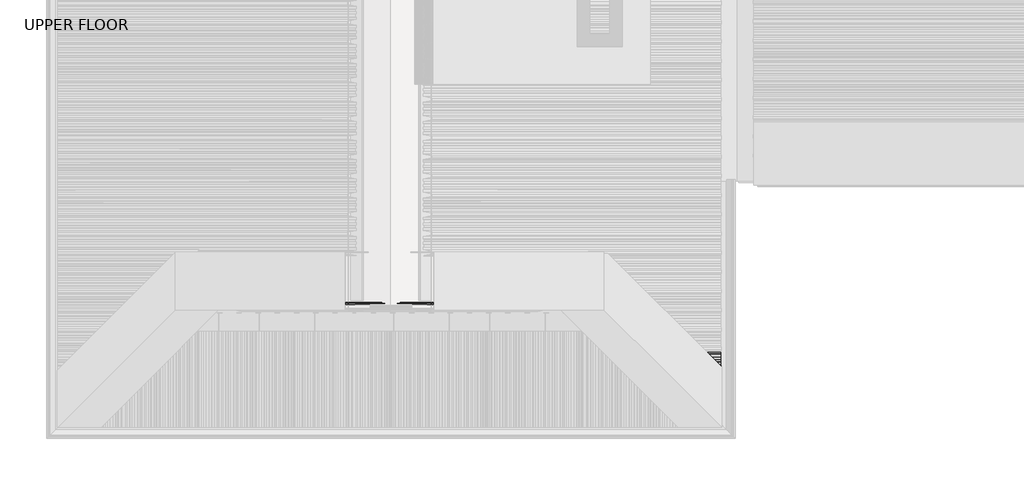
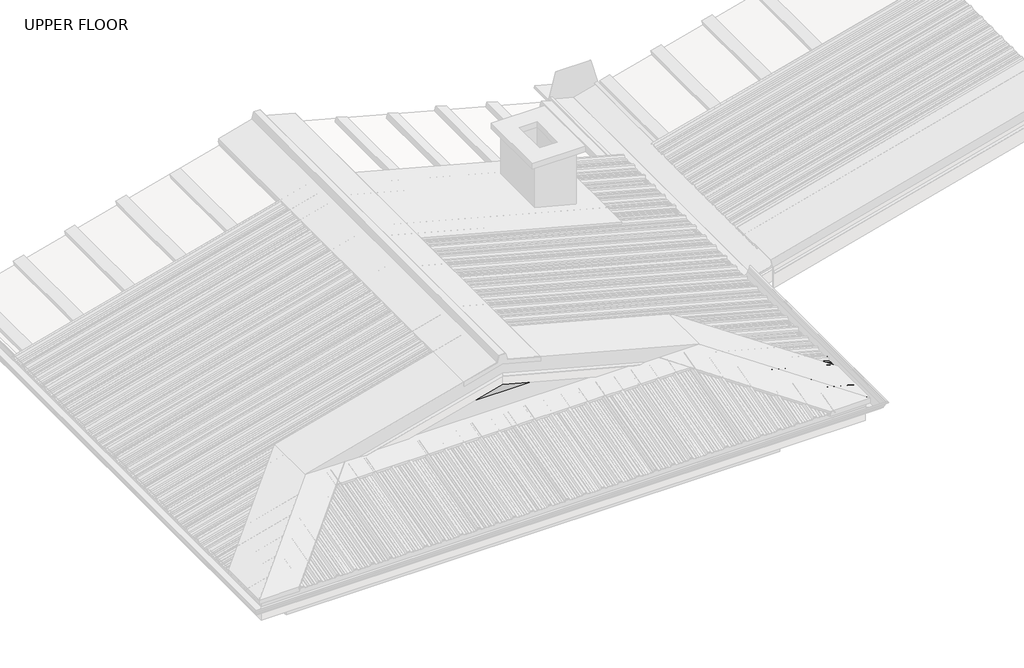
# One storey, part 10 of 18: 2 beams.
"""IFC4 building model written with IfcOpenShell, lengths in millimetres."""

from ifc_helpers import new_model, si_unit, frame, origin, place, context, project, spatial, circle_curve, ellipse_curve, faceted_brep, element, save
from ifc_brep_helpers import plane_surface, cylinder_surface, advanced_brep

model = new_model("IFC4")

# Units and contexts
model_context = context("Model", 3, world=origin())
ifc_project = project(units=[si_unit("LENGTHUNIT", "METRE", prefix="MILLI")], contexts=[model_context])

# Site, building, storey
site = spatial("IfcSite", under=ifc_project)
building = spatial("IfcBuilding", under=site)
storey = spatial("IfcBuildingStorey", under=building, Name="UPPER FLOOR", Elevation=2700.0)

# Beams
placement = place(None, origin())
element("IfcBeam", 1, at=placement, inside=storey, context=model_context, shape_type="AdvancedBrep", body=[
    advanced_brep(
    [(4590.0997528, -4204.5166428, 3293.6450828), (4590.0997528, -4185.5154236, 3293.6450828), (4585.44101, -4172.0160332, 3276.2584179), (4585.44101, -4151.6935947, 3276.2584179), (4585.9586481, -4148.6499528, 3278.1902696), (4585.9586481, -4132.984149, 3278.1902696), (4585.44101, -4129.9426905, 3276.2584179), (4585.44101, -4111.1697168, 3276.2584179), (4585.9586481, -4107.9055528, 3278.1902696), (4585.9586481, -4090.2987176, 3278.1902696), (4585.44101, -4086.1721156, 3276.2584179), (4585.44101, -4065.5160738, 3276.2584179), (4589.5821147, -4053.5166157, 3291.7132311), (4589.5821147, -4036.5154506, 3291.7132311), (4585.6627112, -4025.158404, 3277.0858178), (4585.8179207, -4024.3587899, 3277.6650676), (4589.8409338, -4036.0160603, 3292.679157), (4589.8409338, -4054.0160061, 3292.679157), (4585.6998291, -4066.0154642, 3277.2243437), (4585.6998291, -4085.9425557, 3277.2243437), (4586.2174672, -4090.0691577, 3279.1561954), (4586.2174672, -4108.187548, 3279.1561954), (4585.6998291, -4111.451712, 3277.2243437), (4585.6998291, -4129.64336, 3277.2243437), (4586.2174672, -4132.6848185, 3279.1561954), (4586.2174672, -4148.9491038, 3279.1561954), (4585.6998291, -4151.9927457, 3277.2243437), (4585.6998291, -4171.5166428, 3277.2243437), (4590.3585719, -4185.0160332, 3294.6110086), (4590.3585719, -4205.0160332, 3294.6110086), (4585.6998291, -4218.5154236, 3277.2243437), (4585.6998291, -4235.9425557, 3277.2243437), (4586.2174672, -4240.0691577, 3279.1561954), (4586.2174672, -4258.187548, 3279.1561954), (4585.6998291, -4261.451712, 3277.2243437), (4585.6998291, -4279.64336, 3277.2243437), (4586.2174672, -4282.6848185, 3279.1561954), (4586.2174672, -4298.9491038, 3279.1561954), (4585.6998291, -4301.9927457, 3277.2243437), (4585.6998291, -4321.5166428, 3277.2243437), (4590.3585719, -4335.0160332, 3294.6110086), (4590.3585719, -4355.0160332, 3294.6110086), (4585.6998291, -4368.5154236, 3277.2243437), (4585.6998291, -4385.9425557, 3277.2243437), (4586.2174672, -4390.0691577, 3279.1561954), (4586.2174672, -4408.187548, 3279.1561954), (4585.6998291, -4411.451712, 3277.2243437), (4585.6998291, -4429.64336, 3277.2243437), (4586.2174672, -4432.6848185, 3279.1561954), (4586.2174672, -4448.9491038, 3279.1561954), (4585.6998291, -4451.9927457, 3277.2243437), (4585.6998291, -4471.5166428, 3277.2243437), (4590.3585719, -4485.0160332, 3294.6110086), (4590.3585719, -4505.0160332, 3294.6110086), (4585.6998291, -4518.5154236, 3277.2243437), (4585.6998291, -4535.9425557, 3277.2243437), (4586.2174672, -4540.0691577, 3279.1561954), (4586.2174672, -4558.187548, 3279.1561954), (4585.6998291, -4561.451712, 3277.2243437), (4585.6998291, -4579.64336, 3277.2243437), (4586.2174672, -4582.6848185, 3279.1561954), (4586.2174672, -4598.9491038, 3279.1561954), (4585.6998291, -4601.9927457, 3277.2243437), (4585.6998291, -4621.5166428, 3277.2243437), (4590.3585719, -4635.0160332, 3294.6110086), (4590.3585719, -4655.0160332, 3294.6110086), (4589.5326607, -4657.4092319, 3291.5286661), (4589.2121195, -4657.0886907, 3290.3323899), (4590.0997528, -4654.5166428, 3293.6450828), (4590.0997528, -4635.5154236, 3293.6450828), (4585.44101, -4622.0160332, 3276.2584179), (4585.44101, -4601.6935947, 3276.2584179), (4585.9586481, -4598.6499528, 3278.1902696), (4585.9586481, -4582.984149, 3278.1902696), (4585.44101, -4579.9426905, 3276.2584179), (4585.44101, -4561.1697168, 3276.2584179), (4585.9586481, -4557.9055528, 3278.1902696), (4585.9586481, -4540.2987176, 3278.1902696), (4585.44101, -4536.1721156, 3276.2584179), (4585.44101, -4518.0160332, 3276.2584179), (4590.0997528, -4504.5166428, 3293.6450828), (4590.0997528, -4485.5154236, 3293.6450828), (4585.44101, -4472.0160332, 3276.2584179), (4585.44101, -4451.6935947, 3276.2584179), (4585.9586481, -4448.6499528, 3278.1902696), (4585.9586481, -4432.984149, 3278.1902696), (4585.44101, -4429.9426905, 3276.2584179), (4585.44101, -4411.1697168, 3276.2584179), (4585.9586481, -4407.9055528, 3278.1902696), (4585.9586481, -4390.2987176, 3278.1902696), (4585.44101, -4386.1721156, 3276.2584179), (4585.44101, -4368.0160332, 3276.2584179), (4590.0997528, -4354.5166428, 3293.6450828), (4590.0997528, -4335.5154236, 3293.6450828), (4585.44101, -4322.0160332, 3276.2584179), (4585.44101, -4301.6935947, 3276.2584179), (4585.9586481, -4298.6499528, 3278.1902696), (4585.9586481, -4282.984149, 3278.1902696), (4585.44101, -4279.9426905, 3276.2584179), (4585.44101, -4261.1697168, 3276.2584179), (4585.9586481, -4257.9055528, 3278.1902696), (4585.9586481, -4240.2987176, 3278.1902696), (4585.44101, -4236.1721156, 3276.2584179), (4585.44101, -4218.0160332, 3276.2584179), (4168.2955444, -4236.1721156, 3388.0322085), (4150.139462, -4218.0160332, 3392.8971162), (4172.4221464, -4240.2987176, 3388.9970412), (4190.0289815, -4257.9055528, 3384.279304), (4193.2931456, -4261.1697168, 3381.3341215), (4212.0661192, -4279.9426905, 3376.3039184), (4215.1075777, -4282.984149, 3377.5595144), (4230.7733816, -4298.6499528, 3373.3618749), (4233.8170235, -4301.6935947, 3370.4757811), (4254.139462, -4322.0160332, 3365.0304002), (4267.6388523, -4335.5154236, 3380.0482207), (4286.6400716, -4354.5166428, 3374.9568593), (4300.139462, -4368.0160332, 3352.7047373), (4318.2955444, -4386.1721156, 3347.8398297), (4322.4221464, -4390.2987176, 3348.8046624), (4340.0289815, -4407.9055528, 3344.0869251), (4343.2931456, -4411.1697168, 3341.1417426), (4362.0661192, -4429.9426905, 3336.1115395), (4365.1075777, -4432.984149, 3337.3671355), (4380.7733816, -4448.6499528, 3333.169496), (4383.8170235, -4451.6935947, 3330.2834023), (4404.139462, -4472.0160332, 3324.8380213), (4417.6388523, -4485.5154236, 3339.8558418), (4436.6400716, -4504.5166428, 3334.7644804), (4450.139462, -4518.0160332, 3312.5123584), (4468.2955444, -4536.1721156, 3307.6474508), (4472.4221464, -4540.2987176, 3308.6122835), (4490.0289815, -4557.9055528, 3303.8945462), (4493.2931456, -4561.1697168, 3300.9493638), (4512.0661192, -4579.9426905, 3295.9191606), (4515.1075777, -4582.984149, 3297.1747566), (4530.7733816, -4598.6499528, 3292.9771172), (4533.8170235, -4601.6935947, 3290.0910234), (4554.139462, -4622.0160332, 3284.6456424), (4567.6388523, -4635.5154236, 3299.6634629), (4586.6400716, -4654.5166428, 3294.5721016), (4587.139462, -4655.0160332, 3295.4735665), (4567.139462, -4635.0160332, 3300.8325504), (4553.6400716, -4621.5166428, 3285.8147299), (4534.1161745, -4601.9927457, 3291.0461423), (4531.0725326, -4598.9491038, 3293.9322361), (4514.8082473, -4582.6848185, 3298.2902382), (4511.7667888, -4579.64336, 3297.0346422), (4493.5751408, -4561.451712, 3301.9090796), (4490.3109768, -4558.187548, 3304.854262), (4472.1925865, -4540.0691577, 3309.7090701), (4468.0659845, -4535.9425557, 3308.7442374), (4450.6388523, -4518.5154236, 3313.4138234), (4437.139462, -4505.0160332, 3335.6659454), (4417.139462, -4485.0160332, 3341.0249292), (4403.6400716, -4471.5166428, 3326.0071087), (4384.1161745, -4451.9927457, 3331.2385212), (4381.0725326, -4448.9491038, 3334.1246149), (4364.8082473, -4432.6848185, 3338.4826171), (4361.7667888, -4429.64336, 3337.227021), (4343.5751408, -4411.451712, 3342.1014584), (4340.3109768, -4408.187548, 3345.0466409), (4322.1925865, -4390.0691577, 3349.9014489), (4318.0659845, -4385.9425557, 3348.9366162), (4300.6388523, -4368.5154236, 3353.6062022), (4287.139462, -4355.0160332, 3375.8583242), (4267.139462, -4335.0160332, 3381.2173081), (4253.6400716, -4321.5166428, 3366.1994876), (4234.1161745, -4301.9927457, 3371.4309), (4231.0725326, -4298.9491038, 3374.3169938), (4214.8082473, -4282.6848185, 3378.6749959), (4211.7667888, -4279.64336, 3377.4193999), (4193.5751408, -4261.451712, 3382.2938373), (4190.3109768, -4258.187548, 3385.2390198), (4172.1925865, -4240.0691577, 3390.0938278), (4168.0659845, -4235.9425557, 3389.1289951), (4150.6388523, -4218.5154236, 3393.7985811), (4137.139462, -4205.0160332, 3416.0507031), (4117.139462, -4185.0160332, 3421.409687), (4103.6400716, -4171.5166428, 3406.3918665), (4084.1161745, -4151.9927457, 3411.6232789), (4081.0725326, -4148.9491038, 3414.5093727), (4064.8082473, -4132.6848185, 3418.8673748), (4061.7667888, -4129.64336, 3417.6117788), (4043.5751408, -4111.451712, 3422.4862162), (4040.3109768, -4108.187548, 3425.4313986), (4022.1925865, -4090.0691577, 3430.2862067), (4018.0659845, -4085.9425557, 3429.321374), (3998.138893, -4066.0154642, 3434.6608221), (3986.1394349, -4054.0160061, 3454.4404861), (3968.139489, -4036.0160603, 3459.263557), (4136.6400716, -4204.5166428, 3415.1492382), (3956.4822187, -4024.3587899, 3446.2950607), (3957.2818328, -4025.158404, 3445.4599667), (3968.6388794, -4036.5154506, 3458.0944696), (3985.6400445, -4053.5166157, 3453.5390211), (3997.6395026, -4065.5160738, 3433.7593571), (4018.2955444, -4086.1721156, 3428.2245874), (4022.4221464, -4090.2987176, 3429.1894201), (4040.0289815, -4107.9055528, 3424.4716828), (4043.2931456, -4111.1697168, 3421.5265004), (4062.0661192, -4129.9426905, 3416.4962972), (4065.1075777, -4132.984149, 3417.7518932), (4080.7733816, -4148.6499528, 3413.5542538), (4083.8170235, -4151.6935947, 3410.66816), (4104.139462, -4172.0160332, 3405.222779), (4117.6388523, -4185.5154236, 3420.2405995)],
    [
        (0, 1),
        (1, 2),
        (2, 3),
        (3, 4),
        (4, 5),
        (5, 6),
        (6, 7),
        (7, 8),
        (8, 9),
        (9, 10),
        (10, 11),
        (11, 12),
        (12, 13),
        (13, 14),
        (14, 15, circle_curve(frame((4585.7403159, -4024.758597, 3277.3754427), z_axis=(0.9659258262890683, 0.0, -0.25881904510252085), x_axis=(0.0, -1.0, 0.0)), 0.4997507)),
        (15, 16),
        (16, 17),
        (17, 18),
        (18, 19),
        (19, 20),
        (20, 21),
        (21, 22),
        (22, 23),
        (23, 24),
        (24, 25),
        (25, 26),
        (26, 27),
        (27, 28),
        (28, 29),
        (29, 30),
        (30, 31),
        (31, 32),
        (32, 33),
        (33, 34),
        (34, 35),
        (35, 36),
        (36, 37),
        (37, 38),
        (38, 39),
        (39, 40),
        (40, 41),
        (41, 42),
        (42, 43),
        (43, 44),
        (44, 45),
        (45, 46),
        (46, 47),
        (47, 48),
        (48, 49),
        (49, 50),
        (50, 51),
        (51, 52),
        (52, 53),
        (53, 54),
        (54, 55),
        (55, 56),
        (56, 57),
        (57, 58),
        (58, 59),
        (59, 60),
        (60, 61),
        (61, 62),
        (62, 63),
        (63, 64),
        (64, 65),
        (65, 66),
        (66, 67),
        (67, 68),
        (68, 69),
        (69, 70),
        (70, 71),
        (71, 72),
        (72, 73),
        (73, 74),
        (74, 75),
        (75, 76),
        (76, 77),
        (77, 78),
        (78, 79),
        (79, 80),
        (80, 81),
        (81, 82),
        (82, 83),
        (83, 84),
        (84, 85),
        (85, 86),
        (86, 87),
        (87, 88),
        (88, 89),
        (89, 90),
        (90, 91),
        (91, 92),
        (92, 93),
        (93, 94),
        (94, 95),
        (95, 96),
        (96, 97),
        (97, 98),
        (98, 99),
        (99, 100),
        (100, 101),
        (101, 102),
        (102, 103),
        (103, 0),
        (102, 104),
        (104, 105),
        (105, 103),
        (101, 106),
        (106, 104),
        (100, 107),
        (107, 106),
        (99, 108),
        (108, 107),
        (98, 109),
        (109, 108),
        (97, 110),
        (110, 109),
        (96, 111),
        (111, 110),
        (95, 112),
        (112, 111),
        (94, 113),
        (113, 112),
        (93, 114),
        (114, 113),
        (92, 115),
        (115, 114),
        (91, 116),
        (116, 115),
        (90, 117),
        (117, 116),
        (89, 118),
        (118, 117),
        (88, 119),
        (119, 118),
        (87, 120),
        (120, 119),
        (86, 121),
        (121, 120),
        (85, 122),
        (122, 121),
        (84, 123),
        (123, 122),
        (83, 124),
        (124, 123),
        (82, 125),
        (125, 124),
        (81, 126),
        (126, 125),
        (80, 127),
        (127, 126),
        (79, 128),
        (128, 127),
        (78, 129),
        (129, 128),
        (77, 130),
        (130, 129),
        (76, 131),
        (131, 130),
        (75, 132),
        (132, 131),
        (74, 133),
        (133, 132),
        (73, 134),
        (134, 133),
        (72, 135),
        (135, 134),
        (71, 136),
        (136, 135),
        (70, 137),
        (137, 136),
        (69, 138),
        (138, 137),
        (68, 139),
        (139, 138),
        (67, 139),
        (65, 140),
        (140, 66),
        (64, 141),
        (141, 140),
        (63, 142),
        (142, 141),
        (62, 143),
        (143, 142),
        (61, 144),
        (144, 143),
        (60, 145),
        (145, 144),
        (59, 146),
        (146, 145),
        (58, 147),
        (147, 146),
        (57, 148),
        (148, 147),
        (56, 149),
        (149, 148),
        (55, 150),
        (150, 149),
        (54, 151),
        (151, 150),
        (53, 152),
        (152, 151),
        (52, 153),
        (153, 152),
        (51, 154),
        (154, 153),
        (50, 155),
        (155, 154),
        (49, 156),
        (156, 155),
        (48, 157),
        (157, 156),
        (47, 158),
        (158, 157),
        (46, 159),
        (159, 158),
        (45, 160),
        (160, 159),
        (44, 161),
        (161, 160),
        (43, 162),
        (162, 161),
        (42, 163),
        (163, 162),
        (41, 164),
        (164, 163),
        (40, 165),
        (165, 164),
        (39, 166),
        (166, 165),
        (38, 167),
        (167, 166),
        (37, 168),
        (168, 167),
        (36, 169),
        (169, 168),
        (35, 170),
        (170, 169),
        (34, 171),
        (171, 170),
        (33, 172),
        (172, 171),
        (32, 173),
        (173, 172),
        (31, 174),
        (174, 173),
        (30, 175),
        (175, 174),
        (29, 176),
        (176, 175),
        (28, 177),
        (177, 176),
        (27, 178),
        (178, 177),
        (26, 179),
        (179, 178),
        (25, 180),
        (180, 179),
        (24, 181),
        (181, 180),
        (23, 182),
        (182, 181),
        (22, 183),
        (183, 182),
        (21, 184),
        (184, 183),
        (20, 185),
        (185, 184),
        (19, 186),
        (186, 185),
        (18, 187),
        (187, 186),
        (17, 188),
        (188, 187),
        (16, 189),
        (189, 188),
        (105, 190),
        (190, 0),
        (15, 191),
        (191, 189),
        (14, 192),
        (192, 191, ellipse_curve(frame((3956.8820258, -4024.758597, 3445.8775137), z_axis=(0.7071067811865475, 0.7071067811865476, 0.0), x_axis=(-0.661224832946645, 0.6612248329466449, 0.35434932000691455)), 0.7316859, 0.4997507)),
        (13, 193),
        (193, 192),
        (12, 194),
        (194, 193),
        (11, 195),
        (195, 194),
        (10, 196),
        (196, 195),
        (9, 197),
        (197, 196),
        (8, 198),
        (198, 197),
        (7, 199),
        (199, 198),
        (6, 200),
        (200, 199),
        (5, 201),
        (201, 200),
        (4, 202),
        (202, 201),
        (3, 203),
        (203, 202),
        (2, 204),
        (204, 203),
        (1, 205),
        (205, 204),
        (190, 205),
    ],
    [
        plane_surface(frame((4590.0997528, -4204.5166428, 3293.6450828), z_axis=(0.9659258262890684, 0.0, -0.25881904510252085), x_axis=(0.20705860205458645, 0.5999826594493581, 0.7727532230118979))),
        plane_surface(frame((3489.0173502, -4218.0160332, 3570.0442521), z_axis=(-0.25881904510252085, 0.0, -0.9659258262890683), x_axis=(0.9659258262890683, 0.0, -0.25881904510252085))),
        plane_surface(frame((3489.0173502, -4236.1721156, 3570.0442521), z_axis=(-0.2329062346857396, -0.4361363616997878, -0.8692179012467376), x_axis=(0.9659258262890683, 0.0, -0.25881904510252085))),
        plane_surface(frame((3489.5349883, -4240.2987176, 3571.9761038), z_axis=(-0.25881904510252085, 0.0, -0.9659258262890683), x_axis=(0.9659258262890683, 0.0, -0.25881904510252085))),
        plane_surface(frame((3489.5349883, -4257.9055528, 3571.9761038), z_axis=(-0.22068801492462903, 0.5224449573493021, -0.8236188843202376), x_axis=(0.9659258262890683, 0.0, -0.25881904510252085))),
        plane_surface(frame((3489.0173502, -4261.1697168, 3570.0442521), z_axis=(-0.25881904510252085, 0.0, -0.9659258262890683), x_axis=(0.9659258262890683, 0.0, -0.25881904510252085))),
        plane_surface(frame((3489.0173502, -4279.9426905, 3570.0442521), z_axis=(-0.2162531724200973, -0.5494325148836694, -0.8070678267697519), x_axis=(0.9659258262890683, 0.0, -0.25881904510252085))),
        plane_surface(frame((3489.5349883, -4282.984149, 3571.9761038), z_axis=(-0.25881904510252085, 0.0, -0.9659258262890683), x_axis=(0.9659258262890683, 0.0, -0.25881904510252085))),
        plane_surface(frame((3489.5349883, -4298.6499528, 3571.9761038), z_axis=(-0.21630000128988666, 0.5491572662555915, -0.8072425944910742), x_axis=(0.9659258262890683, 0.0, -0.25881904510252085))),
        plane_surface(frame((3489.0173502, -4301.6935947, 3570.0442521), z_axis=(-0.25881904510252085, 0.0, -0.9659258262890683), x_axis=(0.9659258262890683, 0.0, -0.25881904510252085))),
        plane_surface(frame((3489.0173502, -4322.0160332, 3570.0442521), z_axis=(-0.1552869389967553, -0.8000130051193388, -0.5795387460877339), x_axis=(0.9659258262890683, 0.0, -0.25881904510252085))),
        plane_surface(frame((3493.676093, -4335.5154236, 3587.430917), z_axis=(-0.25881904510252085, 0.0, -0.9659258262890683), x_axis=(0.9659258262890683, 0.0, -0.25881904510252085))),
        plane_surface(frame((3493.676093, -4354.5166428, 3587.430917), z_axis=(-0.15528693899675233, 0.8000130051193395, -0.5795387460877338), x_axis=(0.9659258262890683, 0.0, -0.25881904510252085))),
        plane_surface(frame((3489.0173502, -4368.0160332, 3570.0442521), z_axis=(-0.25881904510252085, 0.0, -0.9659258262890683), x_axis=(0.9659258262890683, 0.0, -0.25881904510252085))),
        plane_surface(frame((3489.0173502, -4386.1721156, 3570.0442521), z_axis=(-0.23290623468574015, -0.43613636169978337, -0.8692179012467397), x_axis=(0.9659258262890683, 0.0, -0.25881904510252085))),
        plane_surface(frame((3489.5349883, -4390.2987176, 3571.9761038), z_axis=(-0.25881904510252085, 0.0, -0.9659258262890683), x_axis=(0.9659258262890683, 0.0, -0.25881904510252085))),
        plane_surface(frame((3489.5349883, -4407.9055528, 3571.9761038), z_axis=(-0.22068801492463014, 0.522444957349295, -0.8236188843202418), x_axis=(0.9659258262890683, 0.0, -0.25881904510252085))),
        plane_surface(frame((3489.0173502, -4411.1697168, 3570.0442521), z_axis=(-0.25881904510252085, 0.0, -0.9659258262890683), x_axis=(0.9659258262890683, 0.0, -0.25881904510252085))),
        plane_surface(frame((3489.0173502, -4429.9426905, 3570.0442521), z_axis=(-0.2162531724200988, -0.549432514883661, -0.8070678267697574), x_axis=(0.9659258262890683, 0.0, -0.25881904510252085))),
        plane_surface(frame((3489.5349883, -4432.984149, 3571.9761038), z_axis=(-0.25881904510252085, 0.0, -0.9659258262890683), x_axis=(0.9659258262890683, 0.0, -0.25881904510252085))),
        plane_surface(frame((3489.5349883, -4448.6499528, 3571.9761038), z_axis=(-0.21630000128988666, 0.5491572662555915, -0.8072425944910742), x_axis=(0.9659258262890683, 0.0, -0.25881904510252085))),
        plane_surface(frame((3489.0173502, -4451.6935947, 3570.0442521), z_axis=(-0.25881904510252085, 0.0, -0.9659258262890683), x_axis=(0.9659258262890683, 0.0, -0.25881904510252085))),
        plane_surface(frame((3489.0173502, -4472.0160332, 3570.0442521), z_axis=(-0.15528693899675572, -0.8000130051193375, -0.5795387460877355), x_axis=(0.9659258262890683, 0.0, -0.25881904510252085))),
        plane_surface(frame((3493.676093, -4485.5154236, 3587.430917), z_axis=(-0.25881904510252085, 0.0, -0.9659258262890683), x_axis=(0.9659258262890683, 0.0, -0.25881904510252085))),
        plane_surface(frame((3493.676093, -4504.5166428, 3587.430917), z_axis=(-0.15528693899675164, 0.8000130051193415, -0.5795387460877313), x_axis=(0.9659258262890683, 0.0, -0.25881904510252085))),
        plane_surface(frame((3489.0173502, -4518.0160332, 3570.0442521), z_axis=(-0.25881904510252085, 0.0, -0.9659258262890683), x_axis=(0.9659258262890683, 0.0, -0.25881904510252085))),
        plane_surface(frame((3489.0173502, -4536.1721156, 3570.0442521), z_axis=(-0.23290623468573904, -0.4361363616997921, -0.8692179012467355), x_axis=(0.9659258262890683, 0.0, -0.25881904510252085))),
        plane_surface(frame((3489.5349883, -4540.2987176, 3571.9761038), z_axis=(-0.25881904510252085, 0.0, -0.9659258262890683), x_axis=(0.9659258262890683, 0.0, -0.25881904510252085))),
        plane_surface(frame((3489.5349883, -4557.9055528, 3571.9761038), z_axis=(-0.22068801492462964, 0.5224449573492981, -0.8236188843202399), x_axis=(0.9659258262890683, 0.0, -0.25881904510252085))),
        plane_surface(frame((3489.0173502, -4561.1697168, 3570.0442521), z_axis=(-0.25881904510252085, 0.0, -0.9659258262890683), x_axis=(0.9659258262890683, 0.0, -0.25881904510252085))),
        plane_surface(frame((3489.0173502, -4579.9426905, 3570.0442521), z_axis=(-0.2162531724200973, -0.5494325148836694, -0.8070678267697519), x_axis=(0.9659258262890683, 0.0, -0.25881904510252085))),
        plane_surface(frame((3489.5349883, -4582.984149, 3571.9761038), z_axis=(-0.25881904510252085, 0.0, -0.9659258262890683), x_axis=(0.9659258262890683, 0.0, -0.25881904510252085))),
        plane_surface(frame((3489.5349883, -4598.6499528, 3571.9761038), z_axis=(-0.21630000128988666, 0.5491572662555915, -0.8072425944910742), x_axis=(0.9659258262890683, 0.0, -0.25881904510252085))),
        plane_surface(frame((3489.0173502, -4601.6935947, 3570.0442521), z_axis=(-0.25881904510252085, 0.0, -0.9659258262890683), x_axis=(0.9659258262890683, 0.0, -0.25881904510252085))),
        plane_surface(frame((3489.0173502, -4622.0160332, 3570.0442521), z_axis=(-0.15528693899675522, -0.800013005119339, -0.5795387460877336), x_axis=(0.9659258262890683, 0.0, -0.25881904510252085))),
        plane_surface(frame((3493.676093, -4635.5154236, 3587.430917), z_axis=(-0.25881904510252085, 0.0, -0.9659258262890683), x_axis=(0.9659258262890683, 0.0, -0.25881904510252085))),
        plane_surface(frame((3493.676093, -4654.5166428, 3587.430917), z_axis=(-0.1552869389967522, 0.8000130051193399, -0.5795387460877333), x_axis=(0.9659258262890683, 0.0, -0.25881904510252085))),
        plane_surface(frame((3489.2761692, -4668.5154236, 3571.0101779), z_axis=(0.15528693899675353, -0.8000130051193359, 0.5795387460877384), x_axis=(0.9659258262890683, 0.0, -0.25881904510252085))),
        plane_surface(frame((3493.9349121, -4655.0160332, 3588.3968428), z_axis=(0.25881904510252085, 0.0, 0.9659258262890683), x_axis=(0.9659258262890683, 0.0, -0.25881904510252085))),
        plane_surface(frame((3493.9349121, -4635.0160332, 3588.3968428), z_axis=(0.15528693899675466, 0.8000130051193406, 0.5795387460877316), x_axis=(0.9659258262890683, 0.0, -0.25881904510252085))),
        plane_surface(frame((3489.2761692, -4621.5166428, 3571.0101779), z_axis=(0.25881904510252085, 0.0, 0.9659258262890683), x_axis=(0.9659258262890683, 0.0, -0.25881904510252085))),
        plane_surface(frame((3489.2761692, -4601.9927457, 3571.0101779), z_axis=(0.2163000012898872, -0.5491572662555881, 0.8072425944910762), x_axis=(0.9659258262890683, 0.0, -0.25881904510252085))),
        plane_surface(frame((3489.7938073, -4598.9491038, 3572.9420296), z_axis=(0.25881904510252085, 0.0, 0.9659258262890683), x_axis=(0.9659258262890683, 0.0, -0.25881904510252085))),
        plane_surface(frame((3489.7938073, -4582.6848185, 3572.9420296), z_axis=(0.21625317242009787, 0.5494325148836662, 0.807067826769754), x_axis=(0.9659258262890683, 0.0, -0.25881904510252085))),
        plane_surface(frame((3489.2761692, -4579.64336, 3571.0101779), z_axis=(0.25881904510252085, 0.0, 0.9659258262890683), x_axis=(0.9659258262890683, 0.0, -0.25881904510252085))),
        plane_surface(frame((3489.2761692, -4561.451712, 3571.0101779), z_axis=(0.22068801492462892, -0.5224449573493026, 0.8236188843202372), x_axis=(0.9659258262890683, 0.0, -0.25881904510252085))),
        plane_surface(frame((3489.7938073, -4558.187548, 3572.9420296), z_axis=(0.25881904510252085, 0.0, 0.9659258262890683), x_axis=(0.9659258262890683, 0.0, -0.25881904510252085))),
        plane_surface(frame((3489.7938073, -4540.0691577, 3572.9420296), z_axis=(0.23290623468573976, 0.4361363616997863, 0.8692179012467383), x_axis=(0.9659258262890683, 0.0, -0.25881904510252085))),
        plane_surface(frame((3489.2761692, -4535.9425557, 3571.0101779), z_axis=(0.25881904510252085, 0.0, 0.9659258262890683), x_axis=(0.9659258262890683, 0.0, -0.25881904510252085))),
        plane_surface(frame((3489.2761692, -4518.5154236, 3571.0101779), z_axis=(0.15528693899675264, -0.8000130051193386, 0.579538746087735), x_axis=(0.9659258262890683, 0.0, -0.25881904510252085))),
        plane_surface(frame((3493.9349121, -4505.0160332, 3588.3968428), z_axis=(0.25881904510252085, 0.0, 0.9659258262890683), x_axis=(0.9659258262890683, 0.0, -0.25881904510252085))),
        plane_surface(frame((3493.9349121, -4485.0160332, 3588.3968428), z_axis=(0.1552869389967548, 0.8000130051193403, 0.5795387460877321), x_axis=(0.9659258262890683, 0.0, -0.25881904510252085))),
        plane_surface(frame((3489.2761692, -4471.5166428, 3571.0101779), z_axis=(0.25881904510252085, 0.0, 0.9659258262890683), x_axis=(0.9659258262890683, 0.0, -0.25881904510252085))),
        plane_surface(frame((3489.2761692, -4451.9927457, 3571.0101779), z_axis=(0.2163000012898872, -0.5491572662555881, 0.8072425944910762), x_axis=(0.9659258262890683, 0.0, -0.25881904510252085))),
        plane_surface(frame((3489.7938073, -4448.9491038, 3572.9420296), z_axis=(0.25881904510252085, 0.0, 0.9659258262890683), x_axis=(0.9659258262890683, 0.0, -0.25881904510252085))),
        plane_surface(frame((3489.7938073, -4432.6848185, 3572.9420296), z_axis=(0.21625317242009934, 0.5494325148836576, 0.8070678267697594), x_axis=(0.9659258262890683, 0.0, -0.25881904510252085))),
        plane_surface(frame((3489.2761692, -4429.64336, 3571.0101779), z_axis=(0.25881904510252085, 0.0, 0.9659258262890683), x_axis=(0.9659258262890683, 0.0, -0.25881904510252085))),
        plane_surface(frame((3489.2761692, -4411.451712, 3571.0101779), z_axis=(0.22068801492462978, -0.5224449573492973, 0.8236188843202404), x_axis=(0.9659258262890683, 0.0, -0.25881904510252085))),
        plane_surface(frame((3489.7938073, -4408.187548, 3572.9420296), z_axis=(0.25881904510252085, 0.0, 0.9659258262890683), x_axis=(0.9659258262890683, 0.0, -0.25881904510252085))),
        plane_surface(frame((3489.7938073, -4390.0691577, 3572.9420296), z_axis=(0.23290623468573948, 0.4361363616997886, 0.8692179012467373), x_axis=(0.9659258262890683, 0.0, -0.25881904510252085))),
        plane_surface(frame((3489.2761692, -4385.9425557, 3571.0101779), z_axis=(0.25881904510252085, 0.0, 0.9659258262890683), x_axis=(0.9659258262890683, 0.0, -0.25881904510252085))),
        plane_surface(frame((3489.2761692, -4368.5154236, 3571.0101779), z_axis=(0.15528693899675272, -0.8000130051193384, 0.5795387460877354), x_axis=(0.9659258262890683, 0.0, -0.25881904510252085))),
        plane_surface(frame((3493.9349121, -4355.0160332, 3588.3968428), z_axis=(0.25881904510252085, 0.0, 0.9659258262890683), x_axis=(0.9659258262890683, 0.0, -0.25881904510252085))),
        plane_surface(frame((3493.9349121, -4335.0160332, 3588.3968428), z_axis=(0.15528693899675478, 0.8000130051193403, 0.579538746087732), x_axis=(0.9659258262890683, 0.0, -0.25881904510252085))),
        plane_surface(frame((3489.2761692, -4321.5166428, 3571.0101779), z_axis=(0.25881904510252085, 0.0, 0.9659258262890683), x_axis=(0.9659258262890683, 0.0, -0.25881904510252085))),
        plane_surface(frame((3489.2761692, -4301.9927457, 3571.0101779), z_axis=(0.21630000128988666, -0.5491572662555915, 0.8072425944910742), x_axis=(0.9659258262890683, 0.0, -0.25881904510252085))),
        plane_surface(frame((3489.7938073, -4298.9491038, 3572.9420296), z_axis=(0.25881904510252085, 0.0, 0.9659258262890683), x_axis=(0.9659258262890683, 0.0, -0.25881904510252085))),
        plane_surface(frame((3489.7938073, -4282.6848185, 3572.9420296), z_axis=(0.2162531724200973, 0.5494325148836694, 0.8070678267697519), x_axis=(0.9659258262890683, 0.0, -0.25881904510252085))),
        plane_surface(frame((3489.2761692, -4279.64336, 3571.0101779), z_axis=(0.25881904510252085, 0.0, 0.9659258262890683), x_axis=(0.9659258262890683, 0.0, -0.25881904510252085))),
        plane_surface(frame((3489.2761692, -4261.451712, 3571.0101779), z_axis=(0.22068801492462856, -0.5224449573493052, 0.8236188843202358), x_axis=(0.9659258262890683, 0.0, -0.25881904510252085))),
        plane_surface(frame((3489.7938073, -4258.187548, 3572.9420296), z_axis=(0.25881904510252085, 0.0, 0.9659258262890683), x_axis=(0.9659258262890683, 0.0, -0.25881904510252085))),
        plane_surface(frame((3489.7938073, -4240.0691577, 3572.9420296), z_axis=(0.2329062346857398, 0.4361363616997863, 0.8692179012467384), x_axis=(0.9659258262890683, 0.0, -0.25881904510252085))),
        plane_surface(frame((3489.2761692, -4235.9425557, 3571.0101779), z_axis=(0.25881904510252085, 0.0, 0.9659258262890683), x_axis=(0.9659258262890683, 0.0, -0.25881904510252085))),
        plane_surface(frame((3489.2761692, -4218.5154236, 3571.0101779), z_axis=(0.15528693899675297, -0.8000130051193375, 0.5795387460877361), x_axis=(0.9659258262890683, 0.0, -0.25881904510252085))),
        plane_surface(frame((3493.9349121, -4205.0160332, 3588.3968428), z_axis=(0.25881904510252085, 0.0, 0.9659258262890683), x_axis=(0.9659258262890683, 0.0, -0.25881904510252085))),
        plane_surface(frame((3493.9349121, -4185.0160332, 3588.3968428), z_axis=(0.1552869389967551, 0.8000130051193395, 0.5795387460877331), x_axis=(0.9659258262890683, 0.0, -0.25881904510252085))),
        plane_surface(frame((3489.2761692, -4171.5166428, 3571.0101779), z_axis=(0.25881904510252085, 0.0, 0.9659258262890683), x_axis=(0.9659258262890683, 0.0, -0.25881904510252085))),
        plane_surface(frame((3489.2761692, -4151.9927457, 3571.0101779), z_axis=(0.2163000012898872, -0.5491572662555881, 0.8072425944910762), x_axis=(0.9659258262890683, 0.0, -0.25881904510252085))),
        plane_surface(frame((3489.7938073, -4148.9491038, 3572.9420296), z_axis=(0.25881904510252085, 0.0, 0.9659258262890683), x_axis=(0.9659258262890683, 0.0, -0.25881904510252085))),
        plane_surface(frame((3489.7938073, -4132.6848185, 3572.9420296), z_axis=(0.21625317242009787, 0.5494325148836662, 0.807067826769754), x_axis=(0.9659258262890683, 0.0, -0.25881904510252085))),
        plane_surface(frame((3489.2761692, -4129.64336, 3571.0101779), z_axis=(0.25881904510252085, 0.0, 0.9659258262890683), x_axis=(0.9659258262890683, 0.0, -0.25881904510252085))),
        plane_surface(frame((3489.2761692, -4111.451712, 3571.0101779), z_axis=(0.22068801492462892, -0.5224449573493026, 0.8236188843202372), x_axis=(0.9659258262890683, 0.0, -0.25881904510252085))),
        plane_surface(frame((3489.7938073, -4108.187548, 3572.9420296), z_axis=(0.25881904510252085, 0.0, 0.9659258262890683), x_axis=(0.9659258262890683, 0.0, -0.25881904510252085))),
        plane_surface(frame((3489.7938073, -4090.0691577, 3572.9420296), z_axis=(0.23290623468573995, 0.43613636169978487, 0.8692179012467389), x_axis=(0.9659258262890683, 0.0, -0.25881904510252085))),
        plane_surface(frame((3489.2761692, -4085.9425557, 3571.0101779), z_axis=(0.25881904510252085, 0.0, 0.9659258262890683), x_axis=(0.9659258262890683, 0.0, -0.25881904510252085))),
        plane_surface(frame((3489.2761692, -4066.0154642, 3571.0101779), z_axis=(0.15528693899675283, -0.8000130051193379, 0.5795387460877358), x_axis=(0.9659258262890683, 0.0, -0.25881904510252085))),
        plane_surface(frame((3493.417274, -4054.0160061, 3586.4649912), z_axis=(0.25881904510252085, 0.0, 0.9659258262890683), x_axis=(0.9659258262890683, 0.0, -0.25881904510252085))),
        plane_surface(frame((3493.676093, -4204.5166428, 3587.430917), z_axis=(-0.15528693899675244, 0.800013005119339, -0.5795387460877343), x_axis=(0.9659258262890683, 0.0, -0.25881904510252085))),
        plane_surface(frame((3493.417274, -4036.0160603, 3586.4649912), z_axis=(0.1552869389967548, 0.8000130051193403, 0.5795387460877321), x_axis=(0.9659258262890683, 0.0, -0.25881904510252085))),
        cylinder_surface(frame((4585.7403159, -4024.758597, 3277.3754427), z_axis=(-0.9659258262890683, 0.0, 0.25881904510252085), x_axis=(0.0, -1.0, 0.0)), 0.4997507),
        plane_surface(frame((3489.2390513, -4025.158404, 3570.871652), z_axis=(-0.15528693899676405, -0.8000130051193136, -0.5795387460877666), x_axis=(0.9659258262890683, 0.0, -0.25881904510252085))),
        plane_surface(frame((3493.1584549, -4036.5154506, 3585.4990653), z_axis=(-0.25881904510252085, 0.0, -0.9659258262890683), x_axis=(0.9659258262890683, 0.0, -0.25881904510252085))),
        plane_surface(frame((3493.1584549, -4053.5166157, 3585.4990653), z_axis=(-0.1552869389967523, 0.8000130051193397, -0.5795387460877337), x_axis=(0.9659258262890683, 0.0, -0.25881904510252085))),
        plane_surface(frame((3489.0173502, -4065.5160738, 3570.0442521), z_axis=(-0.25881904510252085, 0.0, -0.9659258262890683), x_axis=(0.9659258262890683, 0.0, -0.25881904510252085))),
        plane_surface(frame((3489.0173502, -4086.1721156, 3570.0442521), z_axis=(-0.23290623468573882, -0.43613636169979353, -0.8692179012467347), x_axis=(0.9659258262890683, 0.0, -0.25881904510252085))),
        plane_surface(frame((3489.5349883, -4090.2987176, 3571.9761038), z_axis=(-0.25881904510252085, 0.0, -0.9659258262890683), x_axis=(0.9659258262890683, 0.0, -0.25881904510252085))),
        plane_surface(frame((3489.5349883, -4107.9055528, 3571.9761038), z_axis=(-0.2206880149246284, 0.5224449573493058, -0.8236188843202352), x_axis=(0.9659258262890683, 0.0, -0.25881904510252085))),
        plane_surface(frame((3489.0173502, -4111.1697168, 3570.0442521), z_axis=(-0.25881904510252085, 0.0, -0.9659258262890683), x_axis=(0.9659258262890683, 0.0, -0.25881904510252085))),
        plane_surface(frame((3489.0173502, -4129.9426905, 3570.0442521), z_axis=(-0.2162531724200973, -0.5494325148836694, -0.8070678267697519), x_axis=(0.9659258262890683, 0.0, -0.25881904510252085))),
        plane_surface(frame((3489.5349883, -4132.984149, 3571.9761038), z_axis=(-0.25881904510252085, 0.0, -0.9659258262890683), x_axis=(0.9659258262890683, 0.0, -0.25881904510252085))),
        plane_surface(frame((3489.5349883, -4148.6499528, 3571.9761038), z_axis=(-0.21630000128988666, 0.5491572662555915, -0.8072425944910742), x_axis=(0.9659258262890683, 0.0, -0.25881904510252085))),
        plane_surface(frame((3489.0173502, -4151.6935947, 3570.0442521), z_axis=(-0.25881904510252085, 0.0, -0.9659258262890683), x_axis=(0.9659258262890683, 0.0, -0.25881904510252085))),
        plane_surface(frame((3489.0173502, -4172.0160332, 3570.0442521), z_axis=(-0.15528693899675525, -0.800013005119339, -0.5795387460877337), x_axis=(0.9659258262890683, 0.0, -0.25881904510252085))),
        plane_surface(frame((3493.676093, -4185.5154236, 3587.430917), z_axis=(-0.25881904510252085, 0.0, -0.9659258262890683), x_axis=(0.9659258262890683, 0.0, -0.25881904510252085))),
        plane_surface(frame((2507.2361126, -2575.1126839, 4276.036793), z_axis=(-0.7071067811865475, -0.7071067811865476, 0.0), x_axis=(0.0, 0.0, -1.0))),
    ],
    [
        (0, [[1, 2, 3, 4, 5, 6, 7, 8, 9, 10, 11, 12, 13, 14, 15, 16, 17, 18, 19, 20, 21, 22, 23, 24, 25, 26, 27, 28, 29, 30, 31, 32, 33, 34, 35, 36, 37, 38, 39, 40, 41, 42, 43, 44, 45, 46, 47, 48, 49, 50, 51, 52, 53, 54, 55, 56, 57, 58, 59, 60, 61, 62, 63, 64, 65, 66, 67, 68, 69, 70, 71, 72, 73, 74, 75, 76, 77, 78, 79, 80, 81, 82, 83, 84, 85, 86, 87, 88, 89, 90, 91, 92, 93, 94, 95, 96, 97, 98, 99, 100, 101, 102, 103, 104]]),
        (1, [[-103, 105, 106, 107]]),
        (2, [[-102, 108, 109, -105]]),
        (3, [[-101, 110, 111, -108]]),
        (4, [[-100, 112, 113, -110]]),
        (5, [[-99, 114, 115, -112]]),
        (6, [[-98, 116, 117, -114]]),
        (7, [[-97, 118, 119, -116]]),
        (8, [[-96, 120, 121, -118]]),
        (9, [[-95, 122, 123, -120]]),
        (10, [[-94, 124, 125, -122]]),
        (11, [[-93, 126, 127, -124]]),
        (12, [[-92, 128, 129, -126]]),
        (13, [[-91, 130, 131, -128]]),
        (14, [[-90, 132, 133, -130]]),
        (15, [[-89, 134, 135, -132]]),
        (16, [[-88, 136, 137, -134]]),
        (17, [[-87, 138, 139, -136]]),
        (18, [[-86, 140, 141, -138]]),
        (19, [[-85, 142, 143, -140]]),
        (20, [[-84, 144, 145, -142]]),
        (21, [[-83, 146, 147, -144]]),
        (22, [[-82, 148, 149, -146]]),
        (23, [[-81, 150, 151, -148]]),
        (24, [[-80, 152, 153, -150]]),
        (25, [[-79, 154, 155, -152]]),
        (26, [[-78, 156, 157, -154]]),
        (27, [[-77, 158, 159, -156]]),
        (28, [[-76, 160, 161, -158]]),
        (29, [[-75, 162, 163, -160]]),
        (30, [[-74, 164, 165, -162]]),
        (31, [[-73, 166, 167, -164]]),
        (32, [[-72, 168, 169, -166]]),
        (33, [[-71, 170, 171, -168]]),
        (34, [[-70, 172, 173, -170]]),
        (35, [[-69, 174, 175, -172]]),
        (36, [[-68, 176, -174]]),
        (37, [[-66, 177, 178]]),
        (38, [[-65, 179, 180, -177]]),
        (39, [[-64, 181, 182, -179]]),
        (40, [[-63, 183, 184, -181]]),
        (41, [[-62, 185, 186, -183]]),
        (42, [[-61, 187, 188, -185]]),
        (43, [[-60, 189, 190, -187]]),
        (44, [[-59, 191, 192, -189]]),
        (45, [[-58, 193, 194, -191]]),
        (46, [[-57, 195, 196, -193]]),
        (47, [[-56, 197, 198, -195]]),
        (48, [[-55, 199, 200, -197]]),
        (49, [[-54, 201, 202, -199]]),
        (50, [[-53, 203, 204, -201]]),
        (51, [[-52, 205, 206, -203]]),
        (52, [[-51, 207, 208, -205]]),
        (53, [[-50, 209, 210, -207]]),
        (54, [[-49, 211, 212, -209]]),
        (55, [[-48, 213, 214, -211]]),
        (56, [[-47, 215, 216, -213]]),
        (57, [[-46, 217, 218, -215]]),
        (58, [[-45, 219, 220, -217]]),
        (59, [[-44, 221, 222, -219]]),
        (60, [[-43, 223, 224, -221]]),
        (61, [[-42, 225, 226, -223]]),
        (62, [[-41, 227, 228, -225]]),
        (63, [[-40, 229, 230, -227]]),
        (64, [[-39, 231, 232, -229]]),
        (65, [[-38, 233, 234, -231]]),
        (66, [[-37, 235, 236, -233]]),
        (67, [[-36, 237, 238, -235]]),
        (68, [[-35, 239, 240, -237]]),
        (69, [[-34, 241, 242, -239]]),
        (70, [[-33, 243, 244, -241]]),
        (71, [[-32, 245, 246, -243]]),
        (72, [[-31, 247, 248, -245]]),
        (73, [[-30, 249, 250, -247]]),
        (74, [[-29, 251, 252, -249]]),
        (75, [[-28, 253, 254, -251]]),
        (76, [[-27, 255, 256, -253]]),
        (77, [[-26, 257, 258, -255]]),
        (78, [[-25, 259, 260, -257]]),
        (79, [[-24, 261, 262, -259]]),
        (80, [[-23, 263, 264, -261]]),
        (81, [[-22, 265, 266, -263]]),
        (82, [[-21, 267, 268, -265]]),
        (83, [[-20, 269, 270, -267]]),
        (84, [[-19, 271, 272, -269]]),
        (85, [[-18, 273, 274, -271]]),
        (86, [[-17, 275, 276, -273]]),
        (87, [[-104, -107, 277, 278]]),
        (88, [[-16, 279, 280, -275]]),
        (89, [[-15, 281, 282, -279]]),
        (90, [[-14, 283, 284, -281]]),
        (91, [[-13, 285, 286, -283]]),
        (92, [[-12, 287, 288, -285]]),
        (93, [[-11, 289, 290, -287]]),
        (94, [[-10, 291, 292, -289]]),
        (95, [[-9, 293, 294, -291]]),
        (96, [[-8, 295, 296, -293]]),
        (97, [[-7, 297, 298, -295]]),
        (98, [[-6, 299, 300, -297]]),
        (99, [[-5, 301, 302, -299]]),
        (100, [[-4, 303, 304, -301]]),
        (101, [[-3, 305, 306, -303]]),
        (102, [[-2, 307, 308, -305]]),
        (103, [[-1, -278, 309, -307]]),
        (104, [[-67, -178, -180, -182, -184, -186, -188, -190, -192, -194, -196, -198, -200, -202, -204, -206, -208, -210, -212, -214, -216, -218, -220, -222, -224, -226, -228, -230, -232, -234, -236, -238, -240, -242, -244, -246, -248, -250, -252, -254, -256, -258, -260, -262, -264, -266, -268, -270, -272, -274, -276, -280, -282, -284, -286, -288, -290, -292, -294, -296, -298, -300, -302, -304, -306, -308, -309, -277, -106, -109, -111, -113, -115, -117, -119, -121, -123, -125, -127, -129, -131, -133, -135, -137, -139, -141, -143, -145, -147, -149, -151, -153, -155, -157, -159, -161, -163, -165, -167, -169, -171, -173, -175, -176]]),
    ],
),
])
element("IfcBeam", 2, at=placement, inside=storey, context=model_context, shape_type="Brep", body=[
    faceted_brep([(1298.6337852, -3695.5244839, 3684.2860445), (1298.6337852, -3714.3828607, 3686.601562), (1298.6337852, -3702.3211494, 3783.5528602), (1298.6337852, -3683.3360515, 3783.5528602), (2638.6337852, -3714.3828607, 3686.601562), (2638.6337852, -3695.5244839, 3684.2860445), (2638.6337852, -3683.0171905, 3786.1497746), (2638.6337852, -3683.0171905, 3800.7209479), (2638.6337852, -3700.1852676, 3800.7209479), (2397.9023211, -3692.1603495, 3865.2247493), (1603.4374248, -3692.1603495, 3865.2247493), (1308.3256016, -3683.0171905, 3786.1497746), (1599.2476799, -3683.0171905, 3864.1021105), (2402.092066, -3683.0171905, 3864.1021105)], [[[0, 1, 2, 3]], [[4, 5, 6, 7, 8]], [[1, 4, 8, 9, 10, 2]], [[1, 0, 5, 4]], [[6, 5, 0, 3, 11]], [[6, 11, 12, 13, 7]], [[12, 10, 9, 13]], [[3, 2, 10, 12, 11]], [[8, 7, 13, 9]]]),
])

save(model, "model.ifc")
